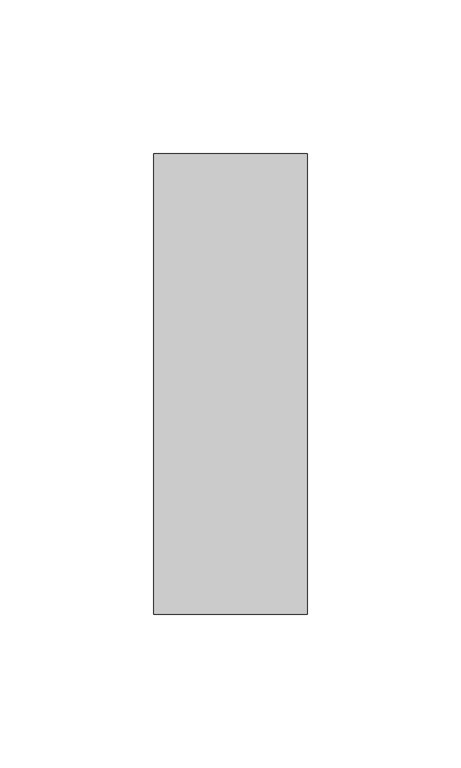
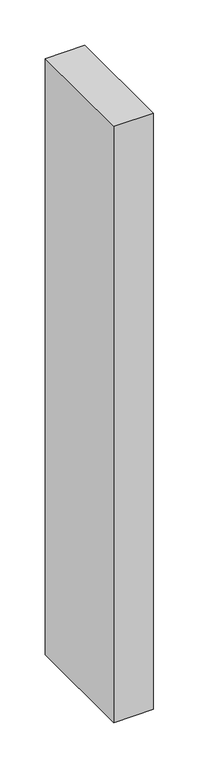
"""IFC4 building model written with IfcOpenShell, lengths in millimetres: member geometry."""

import ifcopenshell
import ifcopenshell.guid

model = None  # the IFC model being written
_history = None  # IfcOwnerHistory: only IFC2X3 demands one
_inside = {}  # id of a spatial element -> (the spatial element, [elements in it])
_under = {}  # id of a project, library or spatial element -> (it, [spatial elements below it])
_declared = {}  # id of a project -> (the project, [libraries it declares])
_typed = {}  # id of a type object -> (the type object, [elements of that type])
_made_of = {}  # id of a material, layer set ... -> (it, [elements and type objects made of it])


def new_model(schema):
    """Start an empty IFC model of exactly this schema.

    Asked for "IFC4X3", IfcOpenShell would pick the latest addendum, in which some entities
    have other attributes; the version numbers below select the first issue.
    IFC2X3 requires an IfcOwnerHistory on every rooted entity: one is made here for all.
    """
    global model, _history
    if schema == "IFC4X3":
        model = ifcopenshell.file(schema_version=(4, 3, 0, 0))
    else:
        model = ifcopenshell.file(schema=schema)
    _inside.clear()
    _under.clear()
    _declared.clear()
    _typed.clear()
    _made_of.clear()
    _history = None
    if model.schema == "IFC2X3":
        org = make("IfcOrganization", Name="unknown")
        user = make(
            "IfcPersonAndOrganization",
            ThePerson=make("IfcPerson", FamilyName="unknown"),
            TheOrganization=org,
        )
        app = make(
            "IfcApplication",
            ApplicationDeveloper=org,
            Version="unknown",
            ApplicationFullName="unknown",
            ApplicationIdentifier="unknown",
        )
        _history = make(
            "IfcOwnerHistory",
            OwningUser=user,
            OwningApplication=app,
            ChangeAction="ADDED",
            CreationDate=0,
        )
    return model


def make(cls, **values):
    """One entity of the class cls with the attributes given. An attribute that is None is left unset."""
    return model.create_entity(
        cls, **{name: value for name, value in values.items() if value is not None}
    )


def rooted(cls, **values):
    """An entity with a GlobalId (a new one), such as an element, a storey or a relation."""
    return make(cls, GlobalId=ifcopenshell.guid.new(), OwnerHistory=_history, **values)


def si_unit(unit_type, name, prefix=None):
    """IfcSIUnit, for example si_unit("LENGTHUNIT", "METRE", prefix="MILLI")."""
    return make("IfcSIUnit", UnitType=unit_type, Prefix=prefix, Name=name)


def assignment(units):
    """IfcUnitAssignment: the units of a project."""
    return None if units is None else make("IfcUnitAssignment", Units=units)


def point(xyz):
    """IfcCartesianPoint."""
    return None if xyz is None else make("IfcCartesianPoint", Coordinates=xyz)


def direction(xyz):
    """IfcDirection."""
    return None if xyz is None else make("IfcDirection", DirectionRatios=xyz)


def frame(location, z_axis=None, x_axis=None):
    """IfcAxis2Placement3D, a coordinate frame: its origin and axes. An axis left out is left unset."""
    return make(
        "IfcAxis2Placement3D",
        Location=point(location),
        Axis=direction(z_axis),
        RefDirection=direction(x_axis),
    )


def origin():
    """The frame at (0, 0, 0) with its axes left unset."""
    return frame((0.0, 0.0, 0.0))


def place(relative_to, where):
    """IfcLocalPlacement: puts the frame where relative to a parent placement (None: the world)."""
    return make(
        "IfcLocalPlacement", PlacementRelTo=relative_to, RelativePlacement=where
    )


def context(
    kind, dimensions, precision=None, world=None, true_north=None, identifier=None
):
    """IfcGeometricRepresentationContext, for example the 3D "Model" context."""
    return make(
        "IfcGeometricRepresentationContext",
        ContextIdentifier=identifier,
        ContextType=kind,
        CoordinateSpaceDimension=dimensions,
        Precision=precision,
        WorldCoordinateSystem=world,
        TrueNorth=true_north,
    )


def project(units=None, contexts=None):
    """IfcProject with its units and contexts."""
    return rooted(
        "IfcProject",
        Name="project",
        RepresentationContexts=contexts,
        UnitsInContext=assignment(units),
    )


def spatial(cls, under=None, at=None, **own):
    """A site, building, storey or space (cls), placed at a placement, below another one or the project."""
    s = rooted(cls, ObjectPlacement=at, **own)
    if under is not None:
        _under.setdefault(under.id(), (under, []))[1].append(s)
    return s


def polyline(points):
    """IfcPolyline through the points."""
    return make("IfcPolyline", Points=[point(p) for p in points])


def outline(outer, holes=None, kind="AREA"):
    """IfcArbitraryClosedProfileDef: a profile drawn as a closed curve; with holes, ...WithVoids."""
    if holes is None:
        return make("IfcArbitraryClosedProfileDef", ProfileType=kind, OuterCurve=outer)
    return make(
        "IfcArbitraryProfileDefWithVoids",
        ProfileType=kind,
        OuterCurve=outer,
        InnerCurves=holes,
    )


def extrude(swept, where, along, depth):
    """IfcExtrudedAreaSolid: the profile swept, set in the frame where, extruded along a direction by depth."""
    return make(
        "IfcExtrudedAreaSolid",
        SweptArea=swept,
        Position=where,
        ExtrudedDirection=direction(along),
        Depth=depth,
    )


def shape(context_of_items, identifier, shape_type, items):
    """IfcShapeRepresentation: the items that make up one representation, for example the "Body"."""
    return make(
        "IfcShapeRepresentation",
        ContextOfItems=context_of_items,
        RepresentationIdentifier=identifier,
        RepresentationType=shape_type,
        Items=items,
    )


def source(mapping_origin, context_of_items, identifier, shape_type, items):
    """IfcRepresentationMap: a shape defined once, which mapped items show again and again."""
    return make(
        "IfcRepresentationMap",
        MappingOrigin=mapping_origin,
        MappedRepresentation=shape(context_of_items, identifier, shape_type, items),
    )


def transform(
    local_origin,
    x_axis=None,
    y_axis=None,
    z_axis=None,
    scale=None,
    scale2=None,
    scale3=None,
    uniform=True,
):
    """IfcCartesianTransformationOperator3D, or its non-uniform kind. x_axis, y_axis, z_axis: its Axis1, 2, 3."""
    if uniform:
        return make(
            "IfcCartesianTransformationOperator3D",
            Axis1=direction(x_axis),
            Axis2=direction(y_axis),
            LocalOrigin=point(local_origin),
            Scale=scale,
            Axis3=direction(z_axis),
        )
    return make(
        "IfcCartesianTransformationOperator3DnonUniform",
        Axis1=direction(x_axis),
        Axis2=direction(y_axis),
        LocalOrigin=point(local_origin),
        Scale=scale,
        Axis3=direction(z_axis),
        Scale2=scale2,
        Scale3=scale3,
    )


def mapped(mapping_source, mapping_target):
    """IfcMappedItem: shows the shape of a source again, moved by a transform."""
    return make(
        "IfcMappedItem", MappingSource=mapping_source, MappingTarget=mapping_target
    )


def made_of(thing, what):
    """Note that an element or type object is made of a material, layer set ...; save() writes the relation."""
    if what is not None:
        _made_of.setdefault(what.id(), (what, []))[1].append(thing)
    return thing


def element(
    cls,
    number,
    at=None,
    inside=None,
    cuts=None,
    type_object=None,
    material=None,
    context=None,
    identifier="Body",
    shape_type=None,
    held_by="IfcProductDefinitionShape",
    body=None,
    shapes=None,
    **own,
):
    """One element of the class cls, such as IfcWall. Its Tag is "e" and its number.

    at: its placement. inside: the storey or other place that contains it. cuts: it is an
    opening in that element (IfcRelVoidsElement). A single representation is given by context,
    identifier, shape_type and body (its items); several are given by shapes. held_by: the class
    of the entity that holds the representations. save() writes the other relations.
    """
    e = rooted(cls, Tag="e%d" % number, ObjectPlacement=at, **own)
    if body is not None:
        shapes = [shape(context, identifier, shape_type, body)]
    if shapes is not None:
        e.Representation = make(held_by, Representations=shapes)
    if inside is not None:
        _inside.setdefault(inside.id(), (inside, []))[1].append(e)
    if cuts is not None:
        rooted(
            "IfcRelVoidsElement", RelatingBuildingElement=cuts, RelatedOpeningElement=e
        )
    if type_object is not None:
        _typed.setdefault(type_object.id(), (type_object, []))[1].append(e)
    return made_of(e, material)


def aggregate(whole, parts):
    """IfcRelAggregates: a whole, such as a stair, and the parts it consists of."""
    return rooted("IfcRelAggregates", RelatingObject=whole, RelatedObjects=parts)


def save(model, path):
    """Write the relations noted so far, then the file.

    IfcRelAggregates (storeys below a building ...), IfcRelContainedInSpatialStructure (elements
    in a storey), IfcRelDefinesByType, IfcRelAssociatesMaterial and IfcRelDeclares: one each for
    every whole, place, type object, material and project.
    """
    for whole, parts in _under.values():
        aggregate(whole, parts)
    for where, things in _inside.values():
        rooted(
            "IfcRelContainedInSpatialStructure",
            RelatedElements=things,
            RelatingStructure=where,
        )
    for kind, things in _typed.values():
        rooted("IfcRelDefinesByType", RelatedObjects=things, RelatingType=kind)
    for what, things in _made_of.values():
        rooted("IfcRelAssociatesMaterial", RelatedObjects=things, RelatingMaterial=what)
    for by, libraries in _declared.values():
        rooted("IfcRelDeclares", RelatingContext=by, RelatedDefinitions=libraries)
    model.write(path)


def member_14f10ac7(model_context):
    return source(origin(), model_context, "Body", "SweptSolid", [
        extrude(outline(polyline([(25.0, 75.0), (25.0, -75.0), (-25.0, -75.0), (-25.0, 75.0), (25.0, 75.0)])), frame((0.0, 0.0, -800.0), z_axis=(0.0, 0.0, 1.0), x_axis=(1.0, 0.0, 0.0)), (0.0, 0.0, 1.0), 800.0),
    ])


if __name__ == "__main__":
    model = new_model("IFC4")
    model_context = context("Model", 3, world=origin())
    ifc_project = project(units=[si_unit("LENGTHUNIT", "METRE", prefix="MILLI")], contexts=[model_context])
    site = spatial("IfcSite", under=ifc_project)
    building = spatial("IfcBuilding", under=site)
    placement = place(None, origin())
    member_shape = member_14f10ac7(model_context)
    element("IfcMember", 1, at=placement, inside=building, context=model_context, shape_type="MappedRepresentation", body=[
        mapped(member_shape, transform((0.0, 0.0, 0.0), x_axis=(1.0, 0.0, 0.0), y_axis=(0.0, 1.0, 0.0), z_axis=(0.0, 0.0, 1.0))),
    ])
    save(model, "model.ifc")
